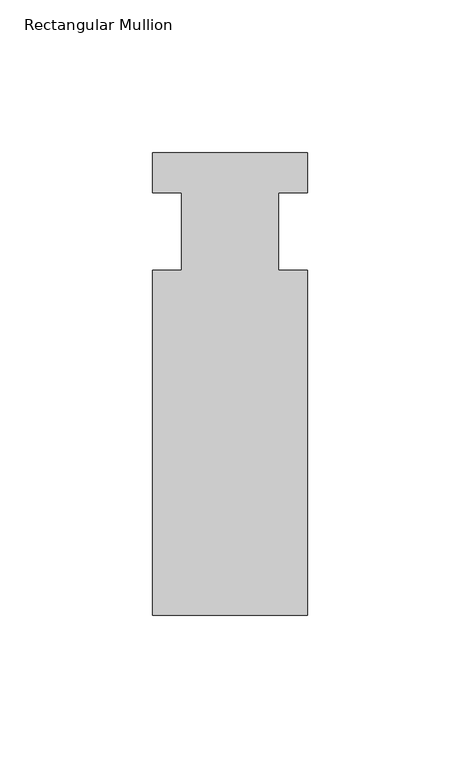
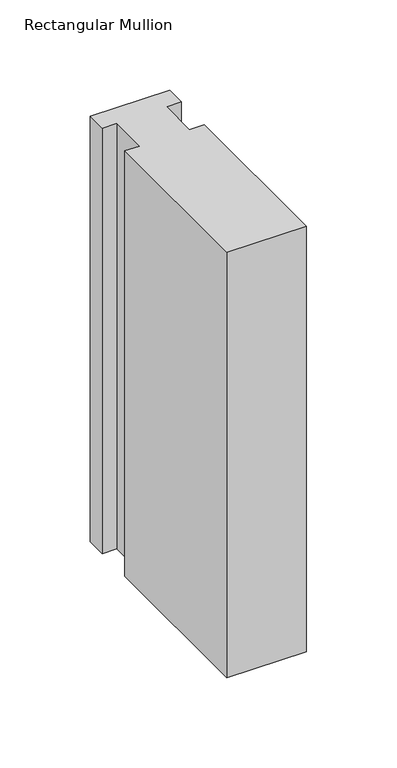
"""IFC4 building model written with IfcOpenShell, lengths in millimetres: member geometry, Rectangular Mullion."""

from ifc_helpers import new_model, si_unit, frame, origin, place, context, project, spatial, polyline, outline, extrude, source, transform, mapped, element, save


def rectangular_mullion_a5d79c09(model_context):
    return source(origin(), model_context, "Body", "SweptSolid", [
        extrude(outline(polyline([(-25.4, 25.796875), (25.4, 25.796875), (25.4, 12.7), (15.875, 12.7), (15.875, -12.7), (25.4, -12.7), (25.4, -125.809375), (-25.4, -125.809375), (-25.4, -12.7), (-15.875, -12.7), (-15.875, 12.7), (-25.4, 12.7), (-25.4, 25.796875)])), frame((0.0, 0.0, -287.8666667), z_axis=(0.0, 0.0, 1.0), x_axis=(1.0, 0.0, 0.0)), (0.0, 0.0, 1.0), 287.8666667),
    ])


if __name__ == "__main__":
    model = new_model("IFC4")
    model_context = context("Model", 3, world=origin())
    ifc_project = project(units=[si_unit("LENGTHUNIT", "METRE", prefix="MILLI")], contexts=[model_context])
    site = spatial("IfcSite", under=ifc_project)
    building = spatial("IfcBuilding", under=site)
    placement = place(None, origin())
    rectangular_mullion_shape = rectangular_mullion_a5d79c09(model_context)
    element("IfcMember", 1, ObjectType="Rectangular Mullion", at=placement, inside=building, context=model_context, shape_type="MappedRepresentation", body=[
        mapped(rectangular_mullion_shape, transform((0.0, 0.0, 0.0), x_axis=(1.0, 0.0, 0.0), y_axis=(0.0, 1.0, 0.0), z_axis=(0.0, 0.0, 1.0))),
    ])
    save(model, "model.ifc")
